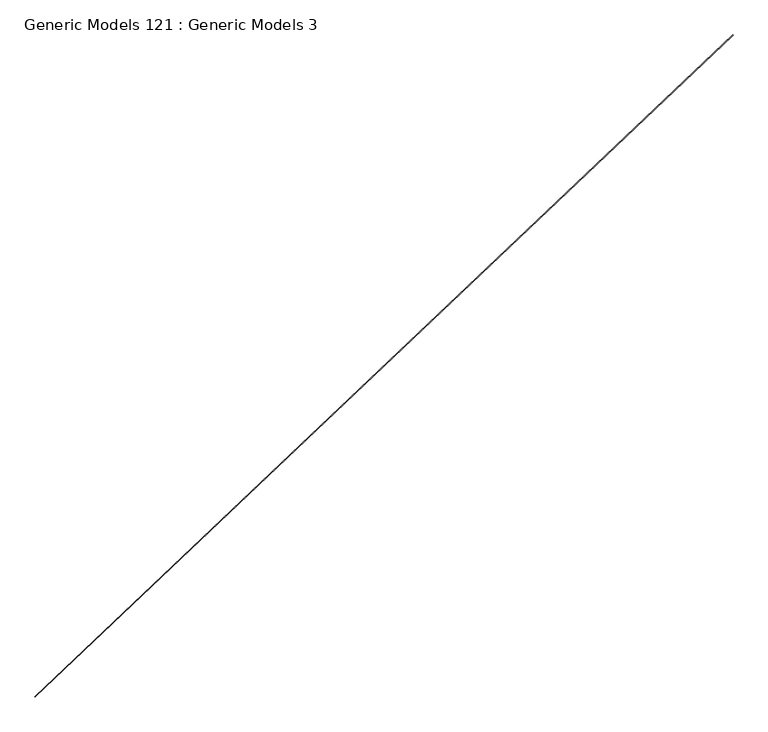
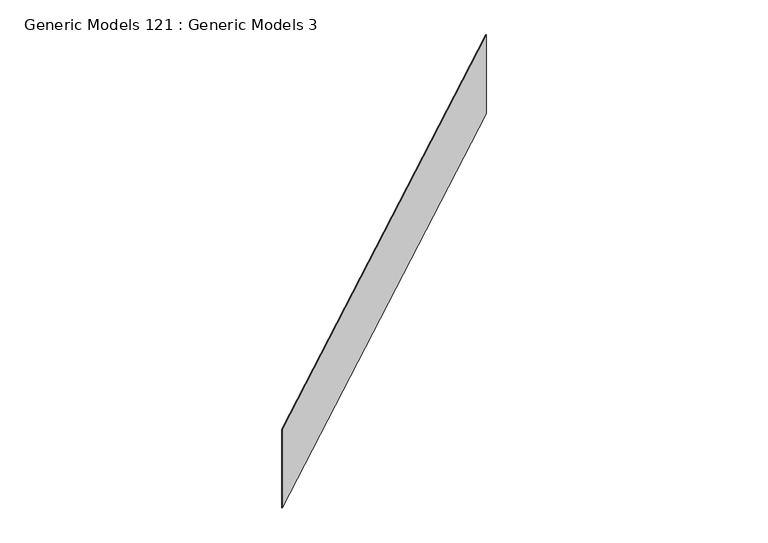
"""IFC4 building model written with IfcOpenShell, lengths in millimetres: proxy geometry, Generic Models 121 : Generic Models 3."""

from ifc_helpers import new_model, si_unit, frame, origin, place, context, project, spatial, polyline, outline, extrude, source, transform, mapped, element, save


def generic_models_121_generic_models_3_c7972a10(model_context):
    return source(origin(), model_context, "Body", "SweptSolid", [
        extrude(outline(polyline([(105305.2220326, 45642.6692433), (105306.3147954, 45641.5177115), (102019.8429983, 42522.7724265), (102018.7502355, 42523.9239584), (105305.2220326, 45642.6692433)])), frame((0.0, 0.0, 17120.8585913), z_axis=(0.0, 0.0, 1.0), x_axis=(1.0, 0.0, 0.0)), (0.0, 0.0, 1.0), 606.5216064),
    ])


if __name__ == "__main__":
    model = new_model("IFC4")
    model_context = context("Model", 3, world=origin())
    ifc_project = project(units=[si_unit("LENGTHUNIT", "METRE", prefix="MILLI")], contexts=[model_context])
    site = spatial("IfcSite", under=ifc_project)
    building = spatial("IfcBuilding", under=site)
    placement = place(None, origin())
    generic_models_121_generic_models_3_shape = generic_models_121_generic_models_3_c7972a10(model_context)
    element("IfcBuildingElementProxy", 1, Name="Generic Models 121 : Generic Models 3", ObjectType="Generic Models 121 : Generic Models 3", at=placement, inside=building, context=model_context, shape_type="MappedRepresentation", body=[
        mapped(generic_models_121_generic_models_3_shape, transform((0.0, 0.0, 0.0), x_axis=(1.0, 0.0, 0.0), y_axis=(0.0, 1.0, 0.0), z_axis=(0.0, 0.0, 1.0))),
    ])
    save(model, "model.ifc")
